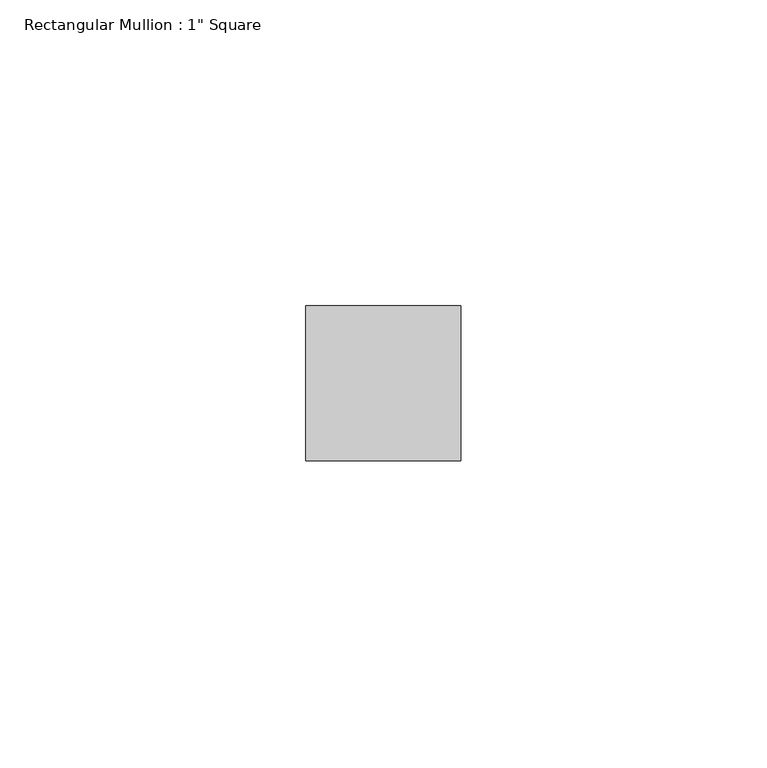
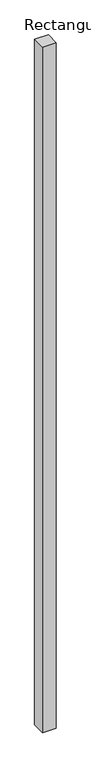
"""IFC4 building model written with IfcOpenShell, lengths in millimetres: member geometry."""

from ifc_helpers import new_model, si_unit, frame, origin, place, context, project, spatial, polyline, outline, extrude, source, transform, mapped, element, save


def member_60f049f7(model_context):
    return source(origin(), model_context, "Body", "SweptSolid", [
        extrude(outline(polyline([(0.0, 12.7), (0.0, -12.7), (-25.4, -12.7), (-25.4, 12.7), (0.0, 12.7)])), frame((0.0, 0.0, -1349.2), z_axis=(0.0, 0.0, 1.0), x_axis=(1.0, 0.0, 0.0)), (0.0, 0.0, 1.0), 1349.2),
    ])


if __name__ == "__main__":
    model = new_model("IFC4")
    model_context = context("Model", 3, world=origin())
    ifc_project = project(units=[si_unit("LENGTHUNIT", "METRE", prefix="MILLI")], contexts=[model_context])
    site = spatial("IfcSite", under=ifc_project)
    building = spatial("IfcBuilding", under=site)
    placement = place(None, origin())
    member_shape = member_60f049f7(model_context)
    element("IfcMember", 1, ObjectType="Rectangular Mullion : 1\" Square", at=placement, inside=building, context=model_context, shape_type="MappedRepresentation", body=[
        mapped(member_shape, transform((0.0, 0.0, 0.0), x_axis=(1.0, 0.0, 0.0), y_axis=(0.0, 1.0, 0.0), z_axis=(0.0, 0.0, 1.0))),
    ])
    save(model, "model.ifc")
